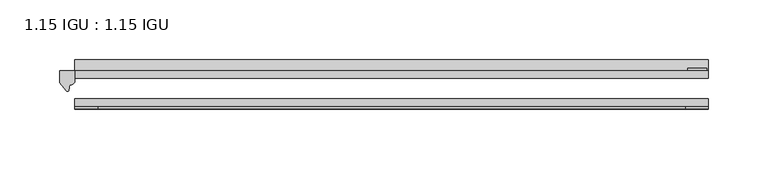
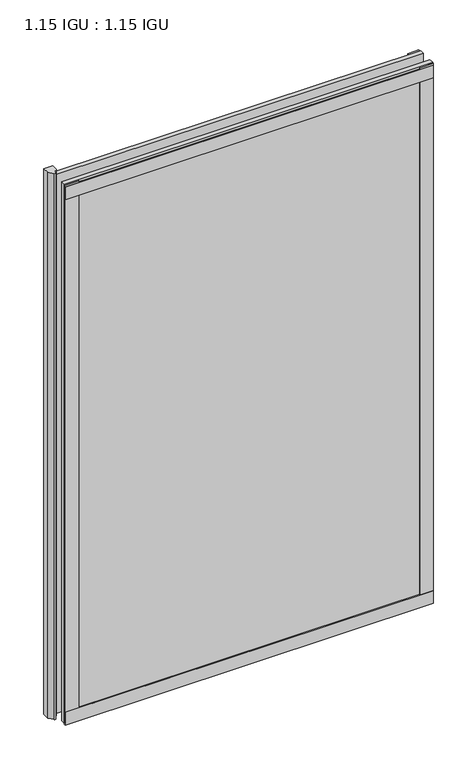
"""IFC4 building model written with IfcOpenShell, lengths in millimetres: plate geometry, 1.15 IGU : 1.15 IGU."""

from ifc_helpers import new_model, si_unit, point, frame, frame_2d, origin, place, context, project, spatial, polyline, circle_curve, trimmed, segment, composite_curve, outline, extrude, source, transform, mapped, element, save


def plate_1_15_igu_1_15_igu_74609219(model_context):
    return source(origin(), model_context, "Body", "SweptSolid", [
        extrude(outline(polyline([(265.11885, 0.0), (265.11885, -6.2992), (-265.11885, -6.2992), (-265.11885, 0.0), (265.11885, 0.0)])), frame((0.0, 0.0, -17.4498), z_axis=(0.0, 0.0, 1.0), x_axis=(1.0, 0.0, 0.0)), (0.0, 0.0, 1.0), 820.7248001),
        extrude(outline(polyline([(-265.11885, -23.1648), (265.11885, -23.1648), (265.11885, -29.464), (-265.11885, -29.464), (-265.11885, -23.1648)])), frame((0.0, 0.0, -17.4498), z_axis=(0.0, 0.0, 1.0), x_axis=(1.0, 0.0, 0.0)), (0.0, 0.0, 1.0), 820.7248001),
        extrude(outline(composite_curve([segment(polyline([(-265.11885, 8.8e-06), (-265.11885, -7.7683362)]), True, "CONTINUOUS"), segment(trimmed(circle_curve(frame_2d((-269.0903479, -7.7683362)), 3.9714979), [point((-265.11885, -7.7683362))], [point((-269.2177998, -11.7377885))], False, "CARTESIAN"), True, "CONTINUOUS"), segment(polyline([(-269.2177998, -11.7377885), (-270.1978343, -16.012436)]), True, "CONTINUOUS"), segment(trimmed(circle_curve(frame_2d((-271.2990433, -15.7723555)), 1.1270758), [point((-270.1978343, -16.012436))], [point((-272.2528827, -16.372764))], False, "CARTESIAN"), True, "CONTINUOUS"), segment(polyline([(-272.2528827, -16.372764), (-277.81885, -9.7395025), (-277.81885, 8.8e-06), (-265.11885, 8.8e-06)]), True, "CONTINUOUS")], self_intersect=False)), frame((0.0, 0.0, -17.4498), z_axis=(0.0, 0.0, 1.0), x_axis=(1.0, 0.0, 0.0)), (0.0, 0.0, 1.0), 831.0372001),
        extrude(outline(polyline([(-265.11885, -31.75), (-265.11885, -29.464), (265.11885, -29.464), (265.11885, -31.75), (-265.11885, -31.75)])), frame((0.0, 0.0, -19.05), z_axis=(0.0, 0.0, 1.0), x_axis=(1.0, 0.0, 0.0)), (0.0, 0.0, 1.0), 19.05),
        extrude(outline(composite_curve([segment(trimmed(circle_curve(frame_2d((13.6593785, 32.4202472)), 31.3046461), [point((0.0, 4.2528503))], [point((9.3980339, 1.406995))], True, "CARTESIAN"), True, "CONTINUOUS"), segment(polyline([(9.3980339, 1.406995), (9.3980339, 0.0254), (6.35, 0.0254), (6.35, -5.1625788), (7.7309478, -5.3970663), (6.35, -8.0073788), (6.35, -11.8471127)]), True, "CONTINUOUS"), segment(trimmed(circle_curve(frame_2d((5.334, -11.8471127)), 1.016), [point((6.35, -11.8471127))], [point((4.6284878, -12.5782136))], False, "CARTESIAN"), True, "CONTINUOUS"), segment(trimmed(circle_curve(frame_2d((-23.3689302, -41.5910901)), 40.3187601), [point((4.6284878, -12.5782136))], [point((0.0, -8.735413))], True, "CARTESIAN"), True, "CONTINUOUS"), segment(polyline([(0.0, -8.735413), (0.0, 4.2528503)]), True, "CONTINUOUS")], self_intersect=False)), frame((-265.11885, 0.0, 0.0), z_axis=(1.0, 0.0, 0.0), x_axis=(0.0, 1.0, 0.0)), (0.0, 0.0, 1.0), 530.2377),
        extrude(outline(polyline([(-265.11885, -31.75), (-265.11885, -29.464), (265.11885, -29.464), (265.11885, -31.75), (-265.11885, -31.75)])), frame((0.0, 0.0, 781.0500001), z_axis=(0.0, 0.0, 1.0), x_axis=(1.0, 0.0, 0.0)), (0.0, 0.0, 1.0), 19.05),
        extrude(outline(polyline([(246.06885, -29.464), (265.11885, -29.464), (265.11885, -31.75), (246.06885, -31.75), (246.06885, -29.464)])), frame((0.0, 0.0, -17.4498), z_axis=(0.0, 0.0, 1.0), x_axis=(1.0, 0.0, 0.0)), (0.0, 0.0, 1.0), 820.7248001),
        extrude(outline(polyline([(263.91235, 2.2860088), (263.91235, 0.0021347), (248.03735, 0.0021347), (248.03735, 2.2860088), (263.91235, 2.2860088)])), frame((0.0, 0.0, -17.4498), z_axis=(0.0, 0.0, 1.0), x_axis=(1.0, 0.0, 0.0)), (0.0, 0.0, 1.0), 820.7248001),
        extrude(outline(polyline([(-265.11885, -31.75), (-265.11885, -29.464), (-246.06885, -29.464), (-246.06885, -31.75), (-265.11885, -31.75)])), frame((0.0, 0.0, -17.4498), z_axis=(0.0, 0.0, 1.0), x_axis=(1.0, 0.0, 0.0)), (0.0, 0.0, 1.0), 820.7248001),
    ])


if __name__ == "__main__":
    model = new_model("IFC4")
    model_context = context("Model", 3, world=origin())
    ifc_project = project(units=[si_unit("LENGTHUNIT", "METRE", prefix="MILLI")], contexts=[model_context])
    site = spatial("IfcSite", under=ifc_project)
    building = spatial("IfcBuilding", under=site)
    placement = place(None, origin())
    plate_1_15_igu_1_15_igu_shape = plate_1_15_igu_1_15_igu_74609219(model_context)
    element("IfcPlate", 1, ObjectType="1.15 IGU : 1.15 IGU", at=placement, inside=building, context=model_context, shape_type="MappedRepresentation", body=[
        mapped(plate_1_15_igu_1_15_igu_shape, transform((0.0, 0.0, 0.0), x_axis=(1.0, 0.0, 0.0), y_axis=(0.0, 1.0, 0.0), z_axis=(0.0, 0.0, 1.0))),
    ])
    save(model, "model.ifc")
